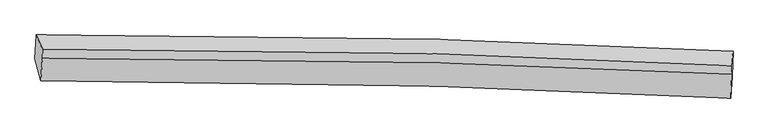
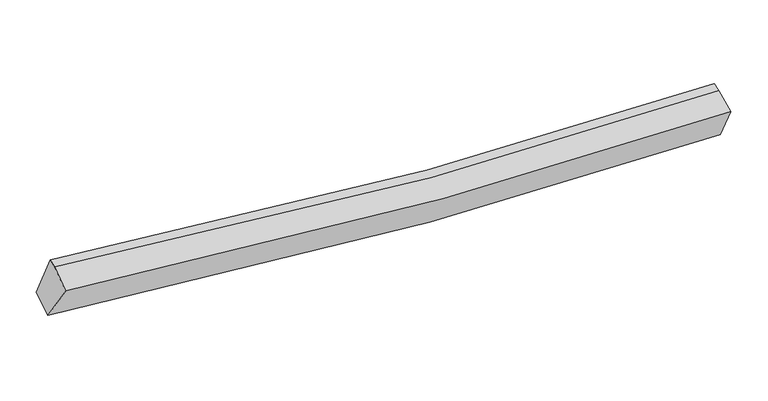
"""IFC4 building model written with IfcOpenShell, lengths in millimetres: proxy geometry."""

from ifc_helpers import new_model, si_unit, frame, origin, place, context, project, spatial, source, transform, mapped, element, save
from ifc_brep_helpers import plane_surface, spline_curve, spline_surface, advanced_brep


def generic_models_e7234453(model_context):
    return source(origin(), model_context, "Body", "AdvancedBrep", [
        advanced_brep(
        [(-5170.0998434, -1976.5798308, 2986.5468541), (-5150.102795, -1614.449369, 3147.918309), (5474.8117742, -1864.4820202, 2605.8010029), (5460.0603973, -2245.4561359, 2500.9576653), (-5079.9710904, -2309.9313317, 3572.3399786), (5439.5065034, -2577.067752, 3094.2630449), (-5055.7289289, -1967.7614677, 3760.9959014), (5453.1150783, -2215.9695384, 3226.7565391), (-5050.6660148, -1834.8930712, 3804.8177693), (5458.1779925, -2083.1011419, 3270.578407)],
        [
            (0, 1),
            (1, 2, spline_curve(3, [(-5150.102795, -1614.449369, 3147.918309), (-3126.144247672, -1603.299436146, 2859.706248599), (-1099.420757078, -1625.885471609, 2677.295616348), (2443.44490333, -1724.206452677, 2543.559390807), (3958.359602247, -1784.964634474, 2545.264255083), (5474.8117742, -1864.4820202, 2605.8010029)], [4, 2, 4], [0.0, 20.028171671481005, 34.963057920482605])),
            (2, 3),
            (3, 0, spline_curve(3, [(5460.0603973, -2245.4561359, 2500.9576653), (3944.783025902, -2167.048298219, 2443.649350025), (2430.22224262, -2105.779590901, 2440.355677543), (-1113.736606555, -2002.470807961, 2559.095132219), (-3142.562569561, -1974.114079802, 2724.25186738), (-5170.0998434, -1976.5798308, 2986.5468541)], [4, 2, 4], [0.0, 14.9348862490016, 34.963057920482605])),
            (4, 0),
            (3, 5),
            (5, 4, spline_curve(3, [(5439.5065034, -2577.067752, 3094.2630449), (3937.281312291, -2499.264041056, 3037.278478617), (2436.929302622, -2438.447225032, 3033.713348802), (-1071.058718864, -2335.839943254, 3150.423912419), (-3077.199240474, -2307.611286459, 3313.348020339), (-5079.9710904, -2309.9313317, 3572.3399786)], [4, 2, 4], [0.0, 14.856689610814062, 34.77999702905327])),
            (6, 4),
            (5, 7),
            (7, 6, spline_curve(3, [(5453.1150783, -2215.9695384, 3226.7565391), (3950.350453191, -2137.085687853, 3166.559300285), (2450.336195943, -2076.80139454, 3164.569763815), (-1054.807614532, -1979.216063672, 3296.178334694), (-3057.7413593, -1956.764333319, 3476.247657818), (-5055.7289289, -1967.7614677, 3760.9959014)], [4, 2, 4], [0.0, 14.775472304861758, 34.58986465544073])),
            (8, 6),
            (7, 9),
            (9, 8, spline_curve(3, [(5458.1779925, -2083.1011419, 3270.578407), (3955.413367225, -2004.217291176, 3210.381168145), (2455.39911033, -1943.932997899, 3208.391631754), (-1049.744700582, -1846.347667127, 3340.000202542), (-3052.678445318, -1823.895936371, 3520.069525585), (-5050.6660148, -1834.8930712, 3804.8177693)], [4, 2, 4], [0.0, 14.77134053488356, 34.58019204658028])),
            (1, 8),
            (9, 2),
        ],
        [
            spline_surface(3, 3, [[(-5170.0998434, -1976.5798308, 2986.5468541), (-3142.562569831, -1974.114079724, 2724.251867162), (-1113.736606257, -2002.47080778, 2559.095131972), (2430.222242398, -2105.779591036, 2440.355677727), (3944.783025697, -2167.048298061, 2443.649349972), (5460.0603973, -2245.4561359, 2500.9576653)], [(-5163.434160605, -1855.869676863, 3040.337339075), (-3137.089795684, -1850.509198429, 2769.403327675), (-1108.964656451, -1876.942362323, 2598.495293313), (2434.629795996, -1978.588544984, 2474.756915491), (3949.308551249, -2039.687076856, 2477.520984988), (5464.977522938, -2118.464764016, 2535.90544451)], [(-5156.768477795, -1735.159522937, 3094.127824025), (-3131.617021524, -1726.904317144, 2814.554788164), (-1104.192706668, -1751.413916834, 2637.895454682), (2439.03734957, -1851.397498901, 2509.158153285), (3953.834076788, -1912.325855603, 2511.392619975), (5469.894648562, -1991.473392084, 2570.85322369)], [(-5150.102795, -1614.449369, 3147.918309), (-3126.144247378, -1603.299435849, 2859.706248677), (-1099.420756862, -1625.885471377, 2677.295616023), (2443.444903168, -1724.20645285, 2543.55939105), (3958.35960234, -1784.964634397, 2545.264254991), (5474.8117742, -1864.4820202, 2605.8010029)]], [4, 4], [4, 2, 4], [0.0, 1.296152981105573], [0.0, 20.028171671481005, 34.963057920482605]),
            spline_surface(3, 3, [[(-5079.9710904, -2309.9313317, 3572.3399786), (-3077.199240247, -2307.611286301, 3313.348020482), (-1071.058718654, -2335.839943553, 3150.423912565), (2436.929302466, -2438.447224809, 3033.713348694), (3937.28131213, -2499.264040972, 3037.278478712), (5439.5065034, -2577.067752, 3094.2630449)], [(-5110.014008085, -2198.814164757, 3377.07560375), (-3098.987016793, -2196.445550799, 3116.982636026), (-1085.284681214, -2224.716898285, 2953.314319022), (2434.693615751, -2327.55801354, 2835.927458358), (3939.781883309, -2388.525459993, 2839.402102456), (5446.357801357, -2466.530546625, 2896.494585023)], [(-5140.056925715, -2087.696997743, 3181.81122895), (-3120.774793285, -2085.279815226, 2920.617251618), (-1099.510643697, -2113.593853049, 2756.204725516), (2432.457929113, -2216.668802305, 2638.141568062), (3942.282454517, -2277.78687904, 2641.525726229), (5453.209099343, -2355.993341275, 2698.726125177)], [(-5170.0998434, -1976.5798308, 2986.5468541), (-3142.562569831, -1974.114079724, 2724.251867162), (-1113.736606257, -2002.47080778, 2559.095131972), (2430.222242398, -2105.779591036, 2440.355677727), (3944.783025697, -2167.048298061, 2443.649349972), (5460.0603973, -2245.4561359, 2500.9576653)]], [4, 4], [4, 2, 4], [0.0, 2.2307816132707226], [0.0, 19.923307418239208, 34.77999702905327]),
            spline_surface(3, 3, [[(-5055.7289289, -1967.7614677, 3760.9959014), (-3057.741359519, -1956.764333025, 3476.247657874), (-1054.807614463, -1979.216063545, 3296.178334388), (2450.336195891, -2076.801394634, 3164.569764043), (3950.350453216, -2137.085687667, 3166.559300099), (5453.1150783, -2215.9695384, 3226.7565391)], [(-5063.809649383, -2081.818089023, 3698.110593801), (-3064.227319745, -2073.71331744, 3421.947778744), (-1060.224649178, -2098.090690238, 3247.593527113), (2445.867231431, -2197.350004716, 3120.950958926), (3945.994072865, -2257.811805427, 3123.465692971), (5448.578886678, -2336.335609591, 3182.592041035)], [(-5071.890369917, -2195.874710377, 3635.225286199), (-3070.713280021, -2190.662301886, 3367.647899611), (-1065.641683938, -2216.965316861, 3199.00871984), (2441.398266926, -2317.898614727, 3077.33215381), (3941.63769248, -2378.537923212, 3080.37208584), (5444.042695022, -2456.701680809, 3138.427542965)], [(-5079.9710904, -2309.9313317, 3572.3399786), (-3077.199240247, -2307.611286301, 3313.348020482), (-1071.058718654, -2335.839943553, 3150.423912565), (2436.929302466, -2438.447224809, 3033.713348694), (3937.28131213, -2499.264040972, 3037.278478712), (5439.5065034, -2577.067752, 3094.2630449)]], [4, 4], [4, 2, 4], [0.0, 1.2640294680924546], [0.0, 19.81439235057897, 34.58986465544073]),
            spline_surface(3, 3, [[(-5050.6660148, -1834.8930712, 3804.8177693), (-3052.678445419, -1823.895936525, 3520.069525774), (-1049.744700263, -1846.347666945, 3340.000202288), (2455.399110091, -1943.932998034, 3208.391631943), (3955.413367416, -2004.217291167, 3210.381167999), (5458.1779925, -2083.1011419, 3270.578407)], [(-5052.353652853, -1879.182536711, 3790.210480013), (-3054.366083471, -1868.185402037, 3505.462236487), (-1051.432338315, -1890.637132456, 3325.392913001), (2453.711472039, -1988.222463546, 3193.784342656), (3953.725729363, -2048.506756678, 3195.773878712), (5456.490354447, -2127.390607411, 3255.971117713)], [(-5054.041290847, -1923.472002189, 3775.603190687), (-3056.053721466, -1912.474867514, 3490.854947161), (-1053.11997641, -1934.926598034, 3310.785623675), (2452.023833944, -2032.511929123, 3179.17705333), (3952.038091268, -2092.796222156, 3181.166589386), (5454.802716353, -2171.680072889, 3241.363828387)], [(-5055.7289289, -1967.7614677, 3760.9959014), (-3057.741359519, -1956.764333025, 3476.247657874), (-1054.807614463, -1979.216063545, 3296.178334388), (2450.336195891, -2076.801394634, 3164.569764043), (3950.350453216, -2137.085687667, 3166.559300099), (5453.1150783, -2215.9695384, 3226.7565391)]], [4, 4], [4, 2, 4], [0.0, 0.4593175853018393], [0.0, 19.80885151169672, 34.58019204658028]),
            spline_surface(3, 3, [[(-5150.102795, -1614.449369, 3147.918309), (-3126.144247378, -1603.299435849, 2859.706248677), (-1099.420756862, -1625.885471377, 2677.295616023), (2443.444903168, -1724.20645285, 2543.55939105), (3958.35960234, -1784.964634397, 2545.264254991), (5474.8117742, -1864.4820202, 2605.8010029)], [(-5116.957201575, -1687.930603045, 3366.88479576), (-3101.6556467, -1676.83160272, 3079.827341036), (-1082.86207134, -1699.372869899, 2898.197144788), (2447.429638798, -1797.448634577, 2765.170138024), (3957.377524011, -1858.048853311, 2766.969892645), (5469.267180279, -1937.355060757, 2827.393470919)], [(-5083.811608225, -1761.411837155, 3585.85128254), (-3077.167046097, -1750.363769655, 3299.948433415), (-1066.303385784, -1772.860268423, 3119.098673524), (2451.414374462, -1870.690816307, 2986.780884969), (3956.395445745, -1931.133072254, 2988.675530344), (5463.722586421, -2010.228101343, 3048.985938981)], [(-5050.6660148, -1834.8930712, 3804.8177693), (-3052.678445419, -1823.895936525, 3520.069525774), (-1049.744700263, -1846.347666945, 3340.000202288), (2455.399110091, -1943.932998034, 3208.391631943), (3955.413367416, -2004.217291167, 3210.381167999), (5458.1779925, -2083.1011419, 3270.578407)]], [4, 4], [4, 2, 4], [0.0, 2.2963854656688873], [0.0, 19.918284397240544, 34.77122837173433]),
            plane_surface(frame((5457.1343492, -2197.2153177, 2939.6713318), z_axis=(0.9990633264336427, -0.04178198282744822, 0.011257694539802207), x_axis=(-0.03535808475731799, -0.9382129552986399, -0.3442473766814885))),
            plane_surface(frame((-5101.3137345, -1940.7230141, 3454.5237625), z_axis=(-0.9891982934394552, -0.010527345592917736, 0.14620503155239487), x_axis=(-0.050375177557207204, -0.9122539466818631, -0.40651577859837673))),
        ],
        [
            (0, [[1, 2, 3, 4]]),
            (1, [[5, -4, 6, 7]]),
            (2, [[8, -7, 9, 10]]),
            (3, [[11, -10, 12, 13]]),
            (4, [[14, -13, 15, -2]]),
            (5, [[-9, -6, -3, -15, -12]]),
            (6, [[-1, -5, -8, -11, -14]]),
        ],
    ),
    ])


if __name__ == "__main__":
    model = new_model("IFC4")
    model_context = context("Model", 3, world=origin())
    ifc_project = project(units=[si_unit("LENGTHUNIT", "METRE", prefix="MILLI")], contexts=[model_context])
    site = spatial("IfcSite", under=ifc_project)
    building = spatial("IfcBuilding", under=site)
    placement = place(None, origin())
    generic_models_shape = generic_models_e7234453(model_context)
    element("IfcBuildingElementProxy", 1, Name="Generic Models", at=placement, inside=building, context=model_context, shape_type="MappedRepresentation", body=[
        mapped(generic_models_shape, transform((0.0, 0.0, 0.0), x_axis=(1.0, 0.0, 0.0), y_axis=(0.0, 1.0, 0.0), z_axis=(0.0, 0.0, 1.0))),
    ])
    save(model, "model.ifc")
